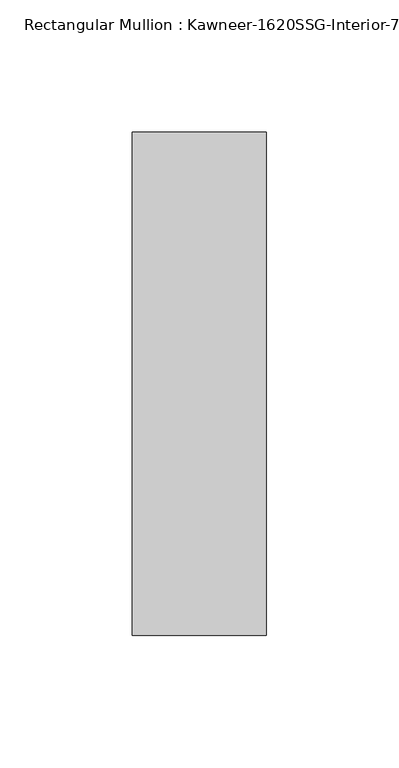
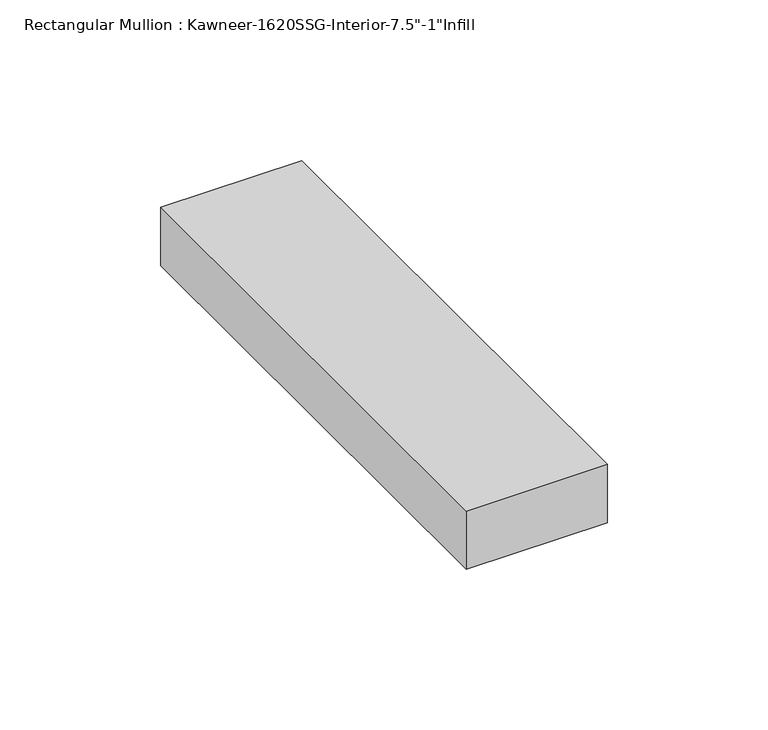
"""IFC4 building model written with IfcOpenShell, lengths in millimetres: member geometry."""

from ifc_helpers import new_model, si_unit, frame, origin, place, context, project, spatial, polyline, outline, extrude, source, transform, mapped, element, save


def member_e44076c2(model_context):
    return source(origin(), model_context, "Body", "SweptSolid", [
        extrude(outline(polyline([(25.4, -152.4), (-25.4, -152.4), (-25.4, 38.1), (25.4, 38.1), (25.4, -152.4)])), frame((0.0, 0.0, -22.225), z_axis=(0.0, 0.0, 1.0), x_axis=(1.0, 0.0, 0.0)), (0.0, 0.0, 1.0), 22.225),
    ])


if __name__ == "__main__":
    model = new_model("IFC4")
    model_context = context("Model", 3, world=origin())
    ifc_project = project(units=[si_unit("LENGTHUNIT", "METRE", prefix="MILLI")], contexts=[model_context])
    site = spatial("IfcSite", under=ifc_project)
    building = spatial("IfcBuilding", under=site)
    placement = place(None, origin())
    member_shape = member_e44076c2(model_context)
    element("IfcMember", 1, ObjectType="Rectangular Mullion : Kawneer-1620SSG-Interior-7.5\"-1\"Infill", at=placement, inside=building, context=model_context, shape_type="MappedRepresentation", body=[
        mapped(member_shape, transform((0.0, 0.0, 0.0), x_axis=(1.0, 0.0, 0.0), y_axis=(0.0, 1.0, 0.0), z_axis=(0.0, 0.0, 1.0))),
    ])
    save(model, "model.ifc")
